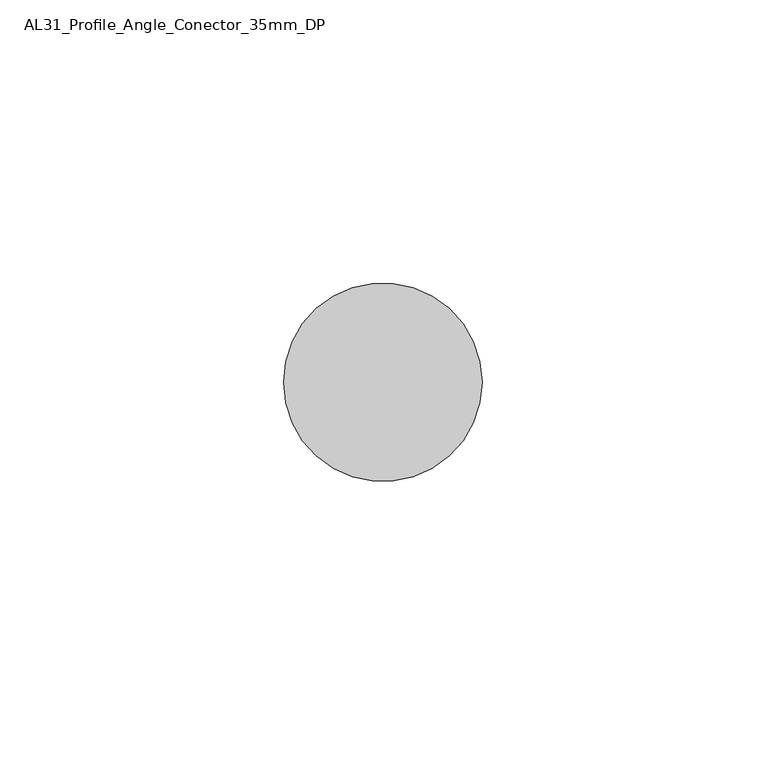
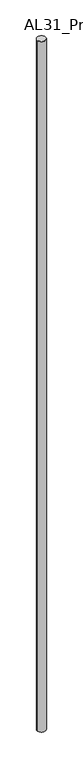
"""IFC4 building model written with IfcOpenShell, lengths in millimetres: member geometry, AL31_Profile_Angle_Conector_35mm_DP."""

from ifc_helpers import new_model, si_unit, point, frame, frame_2d, origin, place, context, project, spatial, circle_curve, trimmed, segment, composite_curve, outline, extrude, source, transform, mapped, element, save


def al31_profile_angle_conector_35mm_dp_516dc4cc(model_context):
    return source(origin(), model_context, "Body", "SweptSolid", [
        extrude(outline(composite_curve([segment(trimmed(circle_curve(frame_2d((-17.5, 19.857)), 17.5), [point((0.0, 19.857))], [point((-35.0, 19.857))], False, "CARTESIAN"), True, "CONTINUOUS"), segment(trimmed(circle_curve(frame_2d((-17.5, 19.857)), 17.5), [point((-35.0, 19.857))], [point((0.0, 19.857))], False, "CARTESIAN"), True, "CONTINUOUS")], self_intersect=False)), frame((0.0, 0.0, -3000.0), z_axis=(0.0, 0.0, 1.0), x_axis=(1.0, 0.0, 0.0)), (0.0, 0.0, 1.0), 3000.0),
    ])


if __name__ == "__main__":
    model = new_model("IFC4")
    model_context = context("Model", 3, world=origin())
    ifc_project = project(units=[si_unit("LENGTHUNIT", "METRE", prefix="MILLI")], contexts=[model_context])
    site = spatial("IfcSite", under=ifc_project)
    building = spatial("IfcBuilding", under=site)
    placement = place(None, origin())
    al31_profile_angle_conector_35mm_dp_shape = al31_profile_angle_conector_35mm_dp_516dc4cc(model_context)
    element("IfcMember", 1, ObjectType="AL31_Profile_Angle_Conector_35mm_DP", at=placement, inside=building, context=model_context, shape_type="MappedRepresentation", body=[
        mapped(al31_profile_angle_conector_35mm_dp_shape, transform((0.0, 0.0, 0.0), x_axis=(1.0, 0.0, 0.0), y_axis=(0.0, 1.0, 0.0), z_axis=(0.0, 0.0, 1.0))),
    ])
    save(model, "model.ifc")
